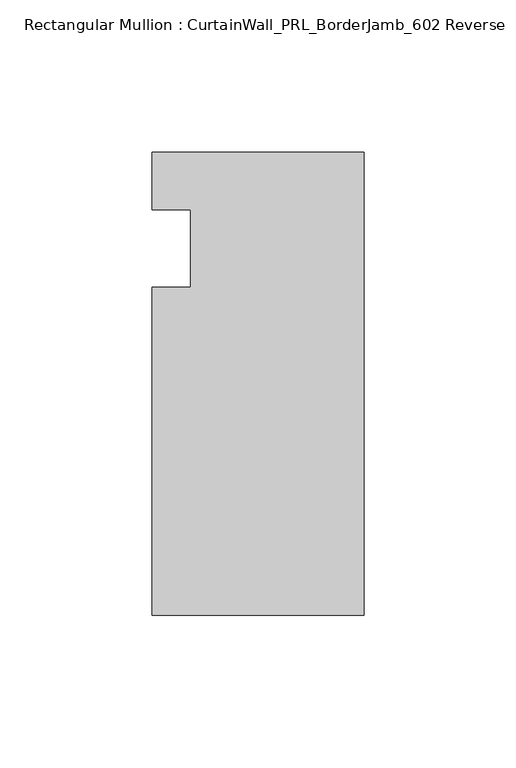
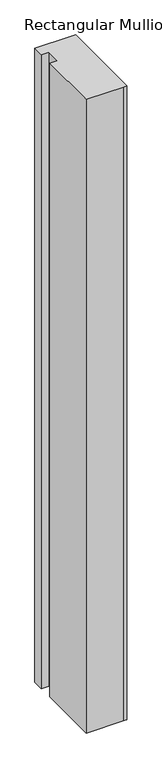
"""IFC4 building model written with IfcOpenShell, lengths in millimetres: member geometry, Rectangular Mullion : CurtainWall_PRL_BorderJamb_602 Reverse."""

from ifc_helpers import new_model, si_unit, frame, origin, place, context, project, spatial, polyline, outline, extrude, source, transform, mapped, element, save


def rectangular_mullion_curtainwall_prl_borderjamb_602_reverse_157ea486(model_context):
    return source(origin(), model_context, "Body", "SweptSolid", [
        extrude(outline(polyline([(-57.15, -12.7), (-57.15, 12.7), (-69.85, 12.7), (-69.85, 31.75), (-7.3958824, 31.75), (0.0, 31.75), (0.0, -120.65), (-6.35, -120.65), (-69.85, -120.65), (-69.85, -12.7), (-57.15, -12.7)])), frame((0.0, 0.0, -1149.35), z_axis=(0.0, 0.0, 1.0), x_axis=(1.0, 0.0, 0.0)), (0.0, 0.0, 1.0), 1149.35),
    ])


if __name__ == "__main__":
    model = new_model("IFC4")
    model_context = context("Model", 3, world=origin())
    ifc_project = project(units=[si_unit("LENGTHUNIT", "METRE", prefix="MILLI")], contexts=[model_context])
    site = spatial("IfcSite", under=ifc_project)
    building = spatial("IfcBuilding", under=site)
    placement = place(None, origin())
    rectangular_mullion_curtainwall_prl_borderjamb_602_reverse_shape = rectangular_mullion_curtainwall_prl_borderjamb_602_reverse_157ea486(model_context)
    element("IfcMember", 1, ObjectType="Rectangular Mullion : CurtainWall_PRL_BorderJamb_602 Reverse", at=placement, inside=building, context=model_context, shape_type="MappedRepresentation", body=[
        mapped(rectangular_mullion_curtainwall_prl_borderjamb_602_reverse_shape, transform((0.0, 0.0, 0.0), x_axis=(1.0, 0.0, 0.0), y_axis=(0.0, 1.0, 0.0), z_axis=(0.0, 0.0, 1.0))),
    ])
    save(model, "model.ifc")
